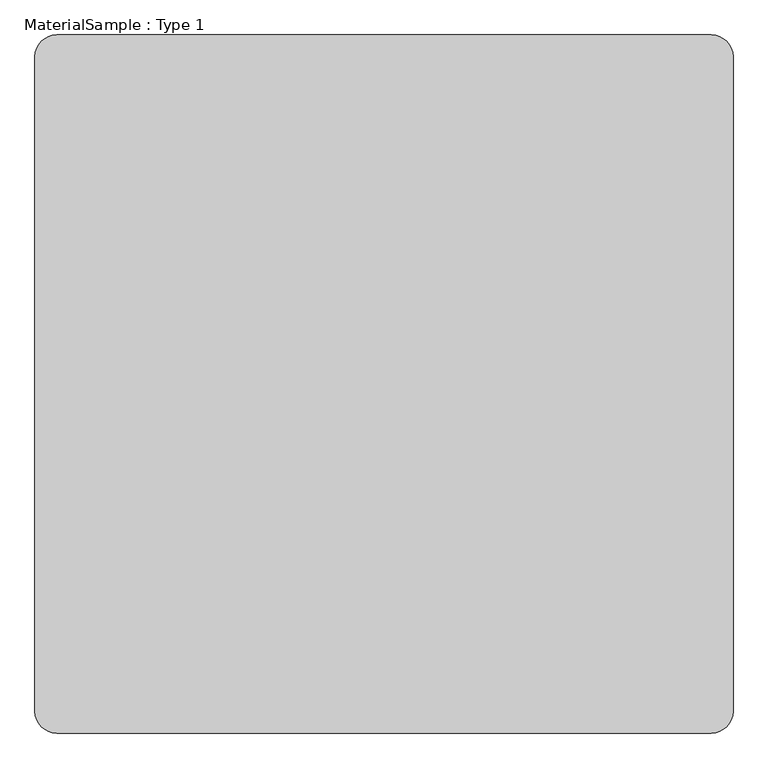
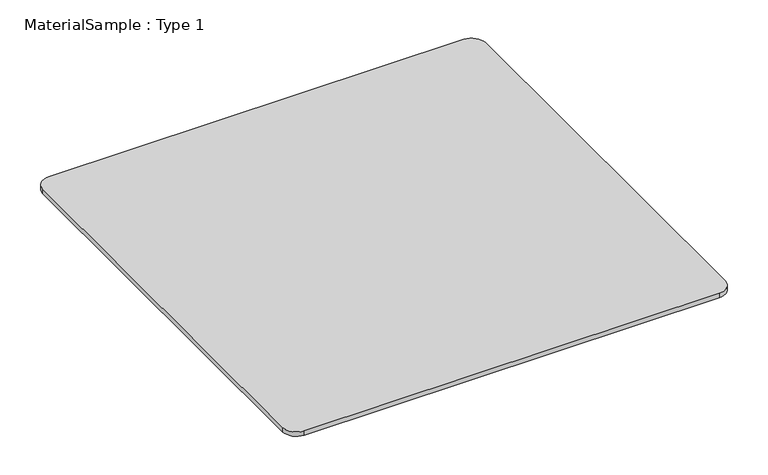
"""IFC4 building model written with IfcOpenShell, lengths in millimetres: proxy geometry, MaterialSample : Type 1."""

from ifc_helpers import new_model, si_unit, point, frame_2d, origin, origin_with_axes, place, context, project, spatial, polyline, circle_curve, trimmed, segment, composite_curve, outline, extrude, source, transform, mapped, element, save


def materialsample_type_1_aebe469f(model_context):
    return source(origin(), model_context, "Body", "SweptSolid", [
        extrude(outline(composite_curve([segment(polyline([(2362.2, 0.0), (76.2, 0.0)]), True, "CONTINUOUS"), segment(trimmed(circle_curve(frame_2d((76.2, 76.2)), 76.2), [point((76.2, 0.0))], [point((0.0, 76.2))], False, "CARTESIAN"), True, "CONTINUOUS"), segment(polyline([(0.0, 76.2), (0.0, 2362.2)]), True, "CONTINUOUS"), segment(trimmed(circle_curve(frame_2d((76.2, 2362.2)), 76.2), [point((0.0, 2362.2))], [point((76.2, 2438.4))], False, "CARTESIAN"), True, "CONTINUOUS"), segment(polyline([(76.2, 2438.4), (2362.2, 2438.4)]), True, "CONTINUOUS"), segment(trimmed(circle_curve(frame_2d((2362.2, 2362.2)), 76.2), [point((2362.2, 2438.4))], [point((2438.4, 2362.2))], False, "CARTESIAN"), True, "CONTINUOUS"), segment(polyline([(2438.4, 2362.2), (2438.4, 76.2)]), True, "CONTINUOUS"), segment(trimmed(circle_curve(frame_2d((2362.2, 76.2)), 76.2), [point((2438.4, 76.2))], [point((2362.2, 0.0))], False, "CARTESIAN"), True, "CONTINUOUS")], self_intersect=False)), origin_with_axes(), (0.0, 0.0, 1.0), 25.4),
    ])


if __name__ == "__main__":
    model = new_model("IFC4")
    model_context = context("Model", 3, world=origin())
    ifc_project = project(units=[si_unit("LENGTHUNIT", "METRE", prefix="MILLI")], contexts=[model_context])
    site = spatial("IfcSite", under=ifc_project)
    building = spatial("IfcBuilding", under=site)
    placement = place(None, origin())
    materialsample_type_1_shape = materialsample_type_1_aebe469f(model_context)
    element("IfcBuildingElementProxy", 1, Name="MaterialSample : Type 1", ObjectType="MaterialSample : Type 1", at=placement, inside=building, context=model_context, shape_type="MappedRepresentation", body=[
        mapped(materialsample_type_1_shape, transform((0.0, 0.0, 0.0), x_axis=(1.0, 0.0, 0.0), y_axis=(0.0, 1.0, 0.0), z_axis=(0.0, 0.0, 1.0))),
    ])
    save(model, "model.ifc")
